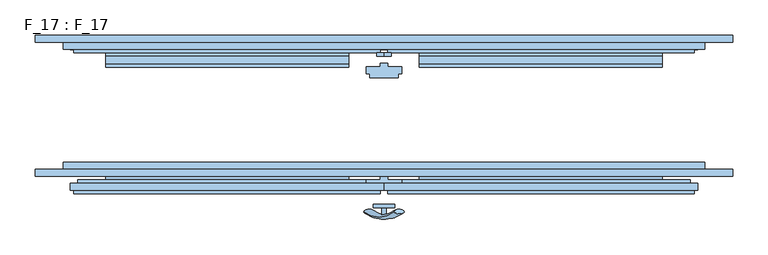
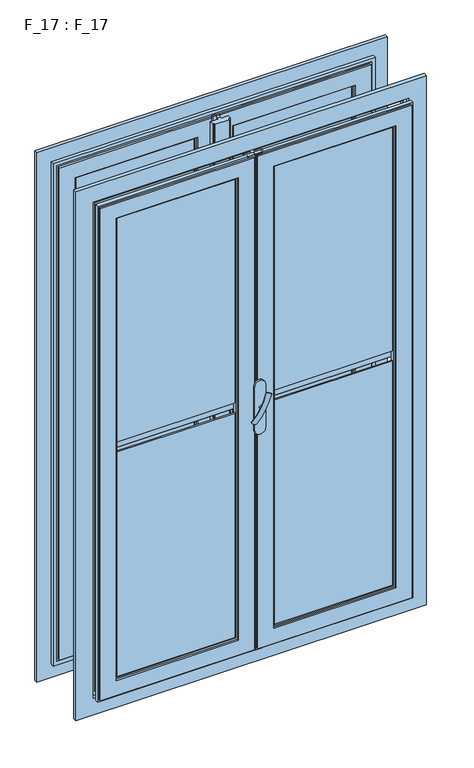
"""IFC4 building model written with IfcOpenShell, lengths in millimetres: window geometry, F_17 : F_17."""

from ifc_helpers import new_model, si_unit, point, frame, frame_2d, origin, place, context, project, spatial, polyline, circle_curve, ellipse_curve, trimmed, segment, composite_curve, outline, extrude, faceted_brep, source, transform, mapped, element, save
from ifc_brep_helpers import plane_surface, revolved_surface, advanced_brep


def f_17_f_17_96d72639(model_context):
    return source(origin(), model_context, "Body", "SolidModel", [
        advanced_brep(
        [(-28.5497704, -140.2287724, 1617.2483361), (-14.693364, -140.2287724, 1609.2483361), (14.693364, -140.2287724, 1692.147642), (28.5497704, -140.2287724, 1684.147642)],
        [
            (0, 1, ellipse_curve(frame((-21.6215672, -140.2287724, 1613.2483361), z_axis=(-0.46984631039295827, 0.3420201433256777, -0.8137976813493676), x_axis=(0.8660254037844349, 0.0, -0.5000000000000066)), 8.0, 3.5)),
            (1, 0, ellipse_curve(frame((-21.6215672, -140.2287724, 1613.2483361), z_axis=(-0.46984631039295827, 0.3420201433256777, -0.8137976813493676), x_axis=(0.8660254037844349, 0.0, -0.5000000000000066)), 8.0, 3.5)),
            (2, 3, ellipse_curve(frame((21.6215672, -140.2287724, 1688.147642), z_axis=(0.46984631039296154, 0.3420201433256599, 0.8137976813493732), x_axis=(0.8660254037844355, 0.0, -0.5000000000000056)), 8.0, 3.5)),
            (3, 2, ellipse_curve(frame((21.6215672, -140.2287724, 1688.147642), z_axis=(0.46984631039296154, 0.3420201433256599, 0.8137976813493732), x_axis=(0.8660254037844355, 0.0, -0.5000000000000056)), 8.0, 3.5)),
            (3, 1, circle_curve(frame((6.9282032, -21.419237, 1646.6979891), z_axis=(0.8660254037844353, 0.0, -0.500000000000006), x_axis=(-0.1710100716628409, -0.9396926207859051, -0.29619813272603046)), 126.4344667)),
            (0, 2, circle_curve(frame((-6.9282032, -21.419237, 1654.6979891), z_axis=(-0.8660254037844353, 0.0, 0.500000000000006), x_axis=(-0.1710100716628409, -0.9396926207859051, -0.29619813272603046)), 126.4344667)),
        ],
        [
            plane_surface(frame((40.0926994, -137.5471681, 1578.7446033), z_axis=(-0.4698463103929582, 0.34202014332567776, -0.8137976813493677), x_axis=(-0.8660254037844352, 0.0, 0.500000000000006))),
            plane_surface(frame((82.3598097, -137.5471681, 1651.9533858), z_axis=(0.4698463103929615, 0.34202014332565983, 0.8137976813493734), x_axis=(-0.8660254037844352, 0.0, 0.500000000000006))),
            revolved_surface(trimmed(ellipse_curve(frame((-21.6215672, -140.2287724, 1613.2483361), z_axis=(-0.46984631039295827, 0.3420201433256777, -0.8137976813493676), x_axis=(0.8660254037844349, 0.0, -0.5000000000000066)), 8.0, 3.5), [point((-28.5497704, -140.2287724, 1617.2483361))], [point((-14.693364, -140.2287724, 1609.2483361))], True, "CARTESIAN"), (61.2262546, -21.419237, 1615.3489945), (-0.8660254037844353, 0.0, 0.500000000000006)),
            revolved_surface(trimmed(ellipse_curve(frame((-21.6215672, -140.2287724, 1613.2483361), z_axis=(-0.46984631039295827, 0.3420201433256777, -0.8137976813493676), x_axis=(0.8660254037844349, 0.0, -0.5000000000000066)), 8.0, 3.5), [point((-14.693364, -140.2287724, 1609.2483361))], [point((-28.5497704, -140.2287724, 1617.2483361))], True, "CARTESIAN"), (61.2262546, -21.419237, 1615.3489945), (-0.8660254037844353, 0.0, 0.500000000000006)),
        ],
        [
            (0, [[1, 2]]),
            (1, [[3, 4]]),
            (2, [[5, -1, 6, -4]]),
            (3, [[-6, -2, -5, -3]]),
        ],
    ),
        extrude(outline(composite_curve([segment(trimmed(circle_curve(frame_2d((1650.6979891, 0.0)), 3.5), [point((1650.6979891, -3.5))], [point((1650.6979891, 3.5))], False, "CARTESIAN"), True, "CONTINUOUS"), segment(trimmed(circle_curve(frame_2d((1650.6979891, 0.0)), 3.5), [point((1650.6979891, 3.5))], [point((1650.6979891, -3.5))], False, "CARTESIAN"), True, "CONTINUOUS")], self_intersect=False)), frame((0.0, -145.0, 0.0), z_axis=(0.0, 1.0, 0.0), x_axis=(0.0, 0.0, 1.0)), (0.0, 0.0, 1.0), 10.0),
        extrude(outline(composite_curve([segment(polyline([(1715.0, -15.0), (1585.0, -15.0)]), True, "CONTINUOUS"), segment(trimmed(circle_curve(frame_2d((1585.0, 0.0)), 15.0), [point((1585.0, -15.0))], [point((1585.0, 15.0))], False, "CARTESIAN"), True, "CONTINUOUS"), segment(polyline([(1585.0, 15.0), (1715.0, 15.0)]), True, "CONTINUOUS"), segment(trimmed(circle_curve(frame_2d((1715.0, 0.0)), 15.0), [point((1715.0, 15.0))], [point((1715.0, -15.0))], False, "CARTESIAN"), True, "CONTINUOUS")], self_intersect=False)), frame((0.0, -135.0, 0.0), z_axis=(0.0, 1.0, 0.0), x_axis=(0.0, 0.0, 1.0)), (0.0, 0.0, 1.0), 5.0),
        faceted_brep([(-0.5, 85.0, 910.0), (-0.5, 80.0, 910.0), (-10.0, 80.0, 910.0), (-10.0, 85.0, 910.0), (-0.5, 85.0, 2390.0), (-0.5, 80.0, 2390.0), (0.0, 100.0, 2390.0), (0.0, 100.0, 910.0), (-445.0, 100.0, 910.0), (-445.0, 100.0, 2390.0), (-10.0, 100.0, 920.0), (-10.0, 100.0, 2380.0), (-435.0, 100.0, 2380.0), (-435.0, 100.0, 920.0), (0.0, 90.0, 2390.0), (0.0, 90.0, 910.0), (-445.0, 90.0, 2390.0), (-445.0, 90.0, 910.0), (-5.0, 90.0, 2385.0), (-5.0, 90.0, 915.0), (-440.0, 90.0, 915.0), (-440.0, 90.0, 2385.0), (-10.0, 80.0, 2390.0), (-10.0, 85.0, 2390.0), (-10.0, 85.0, 2385.0), (-10.0, 85.0, 915.0), (-5.0, 85.0, 915.0), (-5.0, 85.0, 2385.0), (-10.0, 105.0, 920.0), (-435.0, 105.0, 920.0), (-435.0, 105.0, 2380.0), (-50.0, 100.0, 960.0), (-50.0, 105.0, 960.0), (-395.0, 105.0, 960.0), (-395.0, 100.0, 960.0), (-50.0, 100.0, 2340.0), (-50.0, 105.0, 2340.0), (-50.0, 85.0, 1640.0), (-50.0, 80.0, 1640.0), (-395.0, 80.0, 1640.0), (-395.0, 85.0, 1640.0), (-395.0, 105.0, 2340.0), (-395.0, 100.0, 2340.0), (-50.0, 80.0, 1660.0), (-50.0, 85.0, 1660.0), (-395.0, 85.0, 1660.0), (-395.0, 80.0, 1660.0), (-55.0, 100.0, 965.0), (-55.0, 100.0, 2335.0), (-390.0, 100.0, 2335.0), (-390.0, 100.0, 965.0), (-55.0, 90.0, 2335.0), (-55.0, 90.0, 965.0), (-50.0, 70.0, 1665.0), (-50.0, 80.0, 1665.0), (-395.0, 80.0, 1665.0), (-395.0, 70.0, 1665.0), (-50.0, 90.0, 960.0), (-50.0, 90.0, 2340.0), (-395.0, 90.0, 2340.0), (-395.0, 90.0, 960.0), (-390.0, 90.0, 965.0), (-390.0, 90.0, 2335.0), (-50.0, 80.0, 1635.0), (-50.0, 70.0, 1635.0), (-395.0, 70.0, 1635.0), (-395.0, 80.0, 1635.0), (-50.0, 85.0, 2340.0), (-50.0, 85.0, 960.0), (-50.0, 65.0, 1660.0), (-50.0, 70.0, 1660.0), (-395.0, 70.0, 1660.0), (-395.0, 65.0, 1660.0), (-440.0, 85.0, 2385.0), (-440.0, 85.0, 915.0), (-395.0, 85.0, 960.0), (-395.0, 85.0, 2340.0), (-50.0, 70.0, 1640.0), (-50.0, 65.0, 1640.0), (-395.0, 65.0, 1640.0), (-395.0, 70.0, 1640.0), (-10.0, 105.0, 2380.0)], [[[0, 1, 2, 3]], [[4, 5, 1, 0]], [[6, 7, 8, 9], [10, 11, 12, 13]], [[6, 14, 15, 7]], [[15, 14, 16, 17], [18, 19, 20, 21]], [[8, 17, 16, 9]], [[22, 23, 24, 25, 3, 2]], [[23, 4, 0, 3, 25, 26, 27, 24]], [[28, 10, 13, 29]], [[29, 13, 12, 30]], [[31, 32, 33, 34]], [[35, 36, 32, 31]], [[37, 38, 39, 40]], [[34, 33, 41, 42]], [[43, 44, 45, 46]], [[35, 31, 34, 42], [47, 48, 49, 50]], [[51, 48, 47, 52]], [[53, 54, 55, 56]], [[57, 58, 59, 60], [51, 52, 61, 62]], [[52, 47, 50, 61]], [[63, 64, 65, 66]], [[67, 58, 57, 68, 37, 44]], [[69, 70, 71, 72]], [[73, 74, 25, 24], [68, 75, 40, 45, 76, 67, 44, 37]], [[68, 57, 60, 75]], [[77, 78, 79, 80]], [[18, 27, 26, 19]], [[19, 26, 25, 74, 20]], [[61, 50, 49, 62]], [[75, 60, 59, 76, 45, 40]], [[20, 74, 73, 21]], [[4, 23, 22, 5]], [[11, 81, 30, 12]], [[36, 35, 42, 41]], [[48, 51, 62, 49]], [[58, 67, 76, 59]], [[27, 18, 21, 73, 24]], [[5, 22, 2, 1]], [[81, 28, 29, 30], [32, 36, 41, 33]], [[37, 40, 45, 44]], [[7, 15, 17, 8]], [[81, 11, 10, 28]], [[66, 65, 80, 79, 72, 71, 56, 55, 46, 45, 40, 39]], [[63, 38, 37, 44, 43, 54, 53, 70, 69, 78, 77, 64]], [[38, 63, 66, 39]], [[54, 43, 46, 55]], [[70, 53, 56, 71]], [[78, 69, 72, 79]], [[64, 77, 80, 65]], [[14, 6, 9, 16]]]),
        faceted_brep([(0.5, 85.0, 910.0), (10.0, 85.0, 910.0), (10.0, 80.0, 910.0), (0.5, 80.0, 910.0), (0.5, 85.0, 2390.0), (10.0, 85.0, 2390.0), (10.0, 85.0, 2385.0), (5.0, 85.0, 2385.0), (5.0, 85.0, 915.0), (10.0, 85.0, 915.0), (10.0, 80.0, 2390.0), (0.0, 100.0, 910.0), (0.0, 100.0, 2390.0), (445.0, 100.0, 2390.0), (445.0, 100.0, 910.0), (10.0, 100.0, 2380.0), (10.0, 100.0, 920.0), (435.0, 100.0, 920.0), (435.0, 100.0, 2380.0), (445.0, 90.0, 910.0), (445.0, 90.0, 2390.0), (0.0, 90.0, 2390.0), (0.0, 90.0, 910.0), (5.0, 90.0, 915.0), (5.0, 90.0, 2385.0), (440.0, 90.0, 2385.0), (440.0, 90.0, 915.0), (0.5, 80.0, 2390.0), (435.0, 105.0, 920.0), (435.0, 105.0, 2380.0), (10.0, 105.0, 920.0), (50.0, 105.0, 960.0), (50.0, 100.0, 960.0), (395.0, 100.0, 960.0), (395.0, 105.0, 960.0), (395.0, 100.0, 2340.0), (395.0, 105.0, 2340.0), (395.0, 85.0, 1640.0), (395.0, 80.0, 1640.0), (50.0, 80.0, 1640.0), (50.0, 85.0, 1640.0), (50.0, 105.0, 2340.0), (50.0, 100.0, 2340.0), (395.0, 80.0, 1660.0), (395.0, 85.0, 1660.0), (50.0, 85.0, 1660.0), (50.0, 80.0, 1660.0), (55.0, 100.0, 2335.0), (55.0, 100.0, 965.0), (390.0, 100.0, 965.0), (390.0, 100.0, 2335.0), (55.0, 90.0, 2335.0), (55.0, 90.0, 965.0), (50.0, 90.0, 2340.0), (50.0, 90.0, 960.0), (395.0, 90.0, 960.0), (395.0, 90.0, 2340.0), (390.0, 90.0, 2335.0), (390.0, 90.0, 965.0), (395.0, 70.0, 1665.0), (395.0, 80.0, 1665.0), (50.0, 80.0, 1665.0), (50.0, 70.0, 1665.0), (395.0, 80.0, 1635.0), (395.0, 70.0, 1635.0), (50.0, 70.0, 1635.0), (50.0, 80.0, 1635.0), (50.0, 85.0, 2340.0), (50.0, 85.0, 960.0), (395.0, 85.0, 960.0), (395.0, 70.0, 1640.0), (395.0, 65.0, 1640.0), (50.0, 65.0, 1640.0), (50.0, 70.0, 1640.0), (440.0, 85.0, 915.0), (440.0, 85.0, 2385.0), (395.0, 85.0, 2340.0), (395.0, 65.0, 1660.0), (395.0, 70.0, 1660.0), (50.0, 70.0, 1660.0), (50.0, 65.0, 1660.0), (10.0, 105.0, 2380.0)], [[[0, 1, 2, 3]], [[4, 5, 6, 7, 8, 9, 1, 0]], [[5, 10, 2, 1, 9, 6]], [[11, 12, 13, 14], [15, 16, 17, 18]], [[19, 14, 13, 20]], [[21, 22, 19, 20], [23, 24, 25, 26]], [[21, 12, 11, 22]], [[27, 4, 0, 3]], [[17, 28, 29, 18]], [[16, 30, 28, 17]], [[31, 32, 33, 34]], [[34, 33, 35, 36]], [[37, 38, 39, 40]], [[41, 42, 32, 31]], [[43, 44, 45, 46]], [[32, 42, 35, 33], [47, 48, 49, 50]], [[47, 51, 52, 48]], [[53, 54, 55, 56], [52, 51, 57, 58]], [[59, 60, 61, 62]], [[48, 52, 58, 49]], [[63, 64, 65, 66]], [[53, 67, 45, 40, 68, 54]], [[54, 68, 69, 55]], [[70, 71, 72, 73]], [[74, 75, 6, 9], [69, 68, 40, 45, 67, 76, 44, 37]], [[77, 78, 79, 80]], [[7, 24, 23, 8]], [[8, 23, 26, 74, 9]], [[49, 58, 57, 50]], [[55, 69, 37, 44, 76, 56]], [[74, 26, 25, 75]], [[4, 27, 10, 5]], [[81, 15, 18, 29]], [[42, 41, 36, 35]], [[51, 47, 50, 57]], [[67, 53, 56, 76]], [[24, 7, 6, 75, 25]], [[10, 27, 3, 2]], [[30, 81, 29, 28], [41, 31, 34, 36]], [[37, 40, 45, 44]], [[22, 11, 14, 19]], [[15, 81, 30, 16]], [[66, 65, 73, 72, 80, 79, 62, 61, 46, 45, 40, 39]], [[63, 38, 37, 44, 43, 60, 59, 78, 77, 71, 70, 64]], [[38, 63, 66, 39]], [[60, 43, 46, 61]], [[78, 59, 62, 79]], [[71, 77, 80, 72]], [[64, 70, 73, 65]], [[12, 21, 20, 13]]]),
        extrude(outline(polyline([(-55.0, 93.0), (-390.0, 93.0), (-390.0, 97.0), (-55.0, 97.0), (-55.0, 93.0)])), frame((0.0, 0.0, 965.0), z_axis=(0.0, 0.0, 1.0), x_axis=(1.0, 0.0, 0.0)), (0.0, 0.0, 1.0), 670.0),
        extrude(outline(polyline([(390.0, 93.0), (55.0, 93.0), (55.0, 97.0), (390.0, 97.0), (390.0, 93.0)])), frame((0.0, 0.0, 965.0), z_axis=(0.0, 0.0, 1.0), x_axis=(1.0, 0.0, 0.0)), (0.0, 0.0, 1.0), 670.0),
        extrude(outline(polyline([(-55.0, 93.0), (-390.0, 93.0), (-390.0, 97.0), (-55.0, 97.0), (-55.0, 93.0)])), frame((0.0, 0.0, 1665.0), z_axis=(0.0, 0.0, 1.0), x_axis=(1.0, 0.0, 0.0)), (0.0, 0.0, 1.0), 670.0),
        extrude(outline(polyline([(395.0, 93.0), (55.0, 93.0), (55.0, 97.0), (395.0, 97.0), (395.0, 93.0)])), frame((0.0, 0.0, 1665.0), z_axis=(0.0, 0.0, 1.0), x_axis=(1.0, 0.0, 0.0)), (0.0, 0.0, 1.0), 670.0),
        extrude(outline(polyline([(5.0, 70.0), (5.0, 65.0), (25.0, 65.0), (25.0, 55.0), (20.0, 55.0), (20.0, 50.0), (-20.0, 50.0), (-20.0, 55.0), (-25.0, 55.0), (-25.0, 65.0), (-5.0, 65.0), (-5.0, 70.0), (5.0, 70.0)])), frame((0.0, 0.0, 910.0), z_axis=(0.0, 0.0, 1.0), x_axis=(1.0, 0.0, 0.0)), (0.0, 0.0, 1.0), 1480.0),
        faceted_brep([(455.0, 100.0, 2400.0), (455.0, 90.0, 2400.0), (455.0, 90.0, 900.0), (455.0, 100.0, 900.0), (-455.0, 90.0, 2400.0), (-455.0, 90.0, 900.0), (445.0, 90.0, 910.0), (-445.0, 90.0, 910.0), (-445.0, 90.0, 2390.0), (445.0, 90.0, 2390.0), (-455.0, 100.0, 900.0), (495.0, 100.0, 2440.0), (-495.0, 100.0, 2440.0), (-495.0, 100.0, 860.0), (495.0, 100.0, 860.0), (-455.0, 100.0, 2400.0), (495.0, 110.0, 2440.0), (495.0, 110.0, 860.0), (-495.0, 110.0, 860.0), (-495.0, 110.0, 2440.0), (435.0, 110.0, 2380.0), (-435.0, 110.0, 2380.0), (-435.0, 110.0, 920.0), (435.0, 110.0, 920.0), (445.0, 100.0, 910.0), (-445.0, 100.0, 910.0), (-445.0, 100.0, 2390.0), (445.0, 100.0, 2390.0), (435.0, 100.0, 920.0), (-435.0, 100.0, 920.0), (-435.0, 100.0, 2380.0), (435.0, 100.0, 2380.0)], [[[0, 1, 2, 3]], [[1, 4, 5, 2], [6, 7, 8, 9]], [[3, 2, 5, 10]], [[11, 12, 13, 14], [3, 10, 15, 0]], [[16, 11, 14, 17]], [[17, 14, 13, 18]], [[17, 18, 19, 16], [20, 21, 22, 23]], [[10, 5, 4, 15]], [[18, 13, 12, 19]], [[6, 24, 25, 7]], [[7, 25, 26, 8]], [[9, 27, 24, 6]], [[27, 26, 25, 24], [28, 29, 30, 31]], [[28, 23, 22, 29]], [[29, 22, 21, 30]], [[31, 20, 23, 28]], [[15, 4, 1, 0]], [[19, 12, 11, 16]], [[8, 26, 27, 9]], [[30, 21, 20, 31]]]),
        faceted_brep([(50.0, -95.0, 960.0), (50.0, -100.0, 960.0), (395.0, -100.0, 960.0), (395.0, -95.0, 960.0), (395.0, -80.0, 1640.0), (395.0, -80.0, 1635.0), (50.0, -80.0, 1635.0), (50.0, -80.0, 1640.0), (50.0, -95.0, 2340.0), (50.0, -100.0, 2340.0), (50.0, -95.0, 1640.0), (50.0, -95.0, 1660.0), (395.0, -75.0, 1640.0), (50.0, -75.0, 1640.0), (395.0, -100.0, 2340.0), (395.0, -95.0, 2340.0), (395.0, -95.0, 1660.0), (395.0, -95.0, 1640.0), (395.0, -80.0, 1660.0), (395.0, -75.0, 1660.0), (50.0, -75.0, 1660.0), (50.0, -80.0, 1660.0), (395.0, -90.0, 1635.0), (50.0, -90.0, 1635.0), (55.0, -100.0, 2335.0), (55.0, -110.0, 2335.0), (55.0, -110.0, 965.0), (55.0, -100.0, 965.0), (390.0, -110.0, 965.0), (390.0, -100.0, 965.0), (390.0, -110.0, 2335.0), (390.0, -100.0, 2335.0), (395.0, -90.0, 1665.0), (395.0, -80.0, 1665.0), (50.0, -80.0, 1665.0), (50.0, -90.0, 1665.0), (10.0, -100.0, 2380.0), (10.0, -95.0, 2380.0), (10.0, -95.0, 920.0), (10.0, -100.0, 920.0), (435.0, -100.0, 920.0), (435.0, -95.0, 920.0), (435.0, -95.0, 2380.0), (435.0, -100.0, 2380.0), (395.0, -90.0, 1660.0), (50.0, -90.0, 1660.0), (50.0, -110.0, 960.0), (50.0, -115.0, 960.0), (395.0, -115.0, 960.0), (395.0, -110.0, 960.0), (395.0, -115.0, 2340.0), (395.0, -110.0, 2340.0), (395.0, -90.0, 1640.0), (50.0, -90.0, 1640.0), (50.0, -110.0, 2340.0), (50.0, -115.0, 2340.0), (5.0, -115.0, 2385.0), (5.0, -110.0, 2385.0), (5.0, -110.0, 915.0), (5.0, -115.0, 915.0), (440.0, -110.0, 915.0), (440.0, -115.0, 915.0), (440.0, -110.0, 2385.0), (440.0, -115.0, 2385.0), (0.0, -110.0, 2390.0), (0.0, -110.0, 910.0), (445.0, -110.0, 910.0), (445.0, -110.0, 2390.0), (0.0, -100.0, 2390.0), (0.0, -100.0, 910.0), (445.0, -100.0, 2390.0), (445.0, -100.0, 910.0)], [[[0, 1, 2, 3]], [[4, 5, 6, 7]], [[8, 9, 1, 0, 10, 11]], [[12, 4, 7, 13]], [[3, 2, 14, 15, 16, 17]], [[18, 19, 20, 21]], [[5, 22, 23, 6]], [[24, 25, 26, 27]], [[27, 26, 28, 29]], [[29, 28, 30, 31]], [[32, 33, 34, 35]], [[19, 12, 13, 20]], [[36, 37, 38, 39]], [[40, 41, 42, 43]], [[39, 38, 41, 40]], [[44, 32, 35, 45]], [[46, 47, 48, 49]], [[49, 48, 50, 51]], [[52, 17, 10, 53]], [[54, 55, 47, 46]], [[16, 44, 45, 11]], [[16, 11, 10, 17]], [[56, 57, 58, 59]], [[59, 58, 60, 61]], [[61, 60, 62, 63]], [[64, 65, 66, 67], [58, 57, 62, 60]], [[64, 68, 69, 65]], [[69, 68, 70, 71], [36, 39, 40, 43]], [[65, 69, 71, 66]], [[66, 71, 70, 67]], [[9, 8, 15, 14]], [[25, 24, 31, 30]], [[37, 36, 43, 42]], [[55, 54, 51, 50]], [[57, 56, 63, 62]], [[68, 64, 67, 70]], [[5, 4, 12, 19, 18, 33, 32, 44, 16, 17, 52, 22]], [[33, 18, 21, 34]], [[38, 37, 42, 41], [0, 3, 17, 16, 15, 8, 11, 10]], [[22, 52, 53, 23]], [[6, 23, 53, 10, 11, 45, 35, 34, 21, 20, 13, 7]], [[1, 9, 14, 2], [24, 27, 29, 31]], [[54, 46, 49, 51], [26, 25, 30, 28]], [[56, 59, 61, 63], [47, 55, 50, 48]]]),
        faceted_brep([(455.0, -70.0, 2400.0), (455.0, -80.0, 2400.0), (455.0, -80.0, 900.0), (455.0, -70.0, 900.0), (495.0, -80.0, 860.0), (-495.0, -80.0, 860.0), (-495.0, -80.0, 2440.0), (495.0, -80.0, 2440.0), (-455.0, -80.0, 2400.0), (-455.0, -80.0, 900.0), (-455.0, -70.0, 900.0), (-455.0, -70.0, 2400.0), (435.0, -70.0, 2380.0), (-435.0, -70.0, 2380.0), (-435.0, -70.0, 920.0), (435.0, -70.0, 920.0), (435.0, -80.0, 2380.0), (435.0, -80.0, 920.0), (-435.0, -80.0, 920.0), (445.0, -80.0, 2390.0), (-445.0, -80.0, 2390.0), (-445.0, -80.0, 910.0), (445.0, -80.0, 910.0), (-435.0, -80.0, 2380.0), (445.0, -90.0, 2390.0), (445.0, -90.0, 910.0), (-445.0, -90.0, 910.0), (495.0, -90.0, 2440.0), (-495.0, -90.0, 2440.0), (-495.0, -90.0, 860.0), (495.0, -90.0, 860.0), (-445.0, -90.0, 2390.0)], [[[0, 1, 2, 3]], [[4, 5, 6, 7], [1, 8, 9, 2]], [[3, 2, 9, 10]], [[3, 10, 11, 0], [12, 13, 14, 15]], [[16, 12, 15, 17]], [[17, 15, 14, 18]], [[19, 20, 21, 22], [17, 18, 23, 16]], [[24, 19, 22, 25]], [[25, 22, 21, 26]], [[27, 28, 29, 30], [25, 26, 31, 24]], [[7, 27, 30, 4]], [[4, 30, 29, 5]], [[10, 9, 8, 11]], [[18, 14, 13, 23]], [[26, 21, 20, 31]], [[5, 29, 28, 6]], [[11, 8, 1, 0]], [[23, 13, 12, 16]], [[31, 20, 19, 24]], [[6, 28, 27, 7]]]),
        extrude(outline(polyline([(-55.0, -107.0), (-390.0, -107.0), (-390.0, -103.0), (-55.0, -103.0), (-55.0, -107.0)])), frame((0.0, 0.0, 965.0), z_axis=(0.0, 0.0, 1.0), x_axis=(1.0, 0.0, 0.0)), (0.0, 0.0, 1.0), 670.0),
        extrude(outline(polyline([(390.0, -107.0), (55.0, -107.0), (55.0, -103.0), (390.0, -103.0), (390.0, -107.0)])), frame((0.0, 0.0, 965.0), z_axis=(0.0, 0.0, 1.0), x_axis=(1.0, 0.0, 0.0)), (0.0, 0.0, 1.0), 670.0),
        extrude(outline(polyline([(-55.0, -107.0), (-390.0, -107.0), (-390.0, -103.0), (-55.0, -103.0), (-55.0, -107.0)])), frame((0.0, 0.0, 1665.0), z_axis=(0.0, 0.0, 1.0), x_axis=(1.0, 0.0, 0.0)), (0.0, 0.0, 1.0), 670.0),
        extrude(outline(polyline([(395.0, -107.0), (55.0, -107.0), (55.0, -103.0), (395.0, -103.0), (395.0, -107.0)])), frame((0.0, 0.0, 1665.0), z_axis=(0.0, 0.0, 1.0), x_axis=(1.0, 0.0, 0.0)), (0.0, 0.0, 1.0), 670.0),
        faceted_brep([(-50.0, -100.0, 2340.0), (-50.0, -95.0, 2340.0), (-50.0, -95.0, 1660.0), (-50.0, -95.0, 1640.0), (-50.0, -95.0, 960.0), (-50.0, -100.0, 960.0), (-395.0, -95.0, 960.0), (-395.0, -100.0, 960.0), (-395.0, -100.0, 2340.0), (-55.0, -100.0, 965.0), (-55.0, -100.0, 2335.0), (-390.0, -100.0, 2335.0), (-390.0, -100.0, 965.0), (-50.0, -75.0, 1640.0), (-50.0, -80.0, 1640.0), (-395.0, -80.0, 1640.0), (-395.0, -75.0, 1640.0), (-10.0, -95.0, 2380.0), (-10.0, -95.0, 920.0), (-435.0, -95.0, 920.0), (-435.0, -95.0, 2380.0), (-395.0, -95.0, 2340.0), (-395.0, -95.0, 1660.0), (-395.0, -95.0, 1640.0), (-50.0, -80.0, 1660.0), (-50.0, -75.0, 1660.0), (-395.0, -75.0, 1660.0), (-395.0, -80.0, 1660.0), (-55.0, -110.0, 2335.0), (-55.0, -110.0, 965.0), (-50.0, -90.0, 1665.0), (-50.0, -80.0, 1665.0), (-395.0, -80.0, 1665.0), (-395.0, -90.0, 1665.0), (-50.0, -110.0, 960.0), (-50.0, -110.0, 2340.0), (-395.0, -110.0, 2340.0), (-395.0, -110.0, 960.0), (-390.0, -110.0, 965.0), (-390.0, -110.0, 2335.0), (-50.0, -80.0, 1635.0), (-50.0, -90.0, 1635.0), (-395.0, -90.0, 1635.0), (-395.0, -80.0, 1635.0), (-50.0, -115.0, 2340.0), (-50.0, -115.0, 960.0), (-50.0, -90.0, 1660.0), (-395.0, -90.0, 1660.0), (-5.0, -115.0, 915.0), (-5.0, -115.0, 2385.0), (-440.0, -115.0, 2385.0), (-440.0, -115.0, 915.0), (-395.0, -115.0, 960.0), (-395.0, -115.0, 2340.0), (-50.0, -90.0, 1640.0), (-395.0, -90.0, 1640.0), (-5.0, -110.0, 2385.0), (-5.0, -110.0, 915.0), (-440.0, -110.0, 915.0), (0.0, -110.0, 910.0), (0.0, -110.0, 2390.0), (-445.0, -110.0, 2390.0), (-445.0, -110.0, 910.0), (-440.0, -110.0, 2385.0), (0.0, -100.0, 2390.0), (0.0, -100.0, 910.0), (-445.0, -100.0, 910.0), (-445.0, -100.0, 2390.0), (-10.0, -100.0, 920.0), (-10.0, -100.0, 2380.0), (-435.0, -100.0, 2380.0), (-435.0, -100.0, 920.0)], [[[0, 1, 2, 3, 4, 5]], [[5, 4, 6, 7]], [[0, 5, 7, 8], [9, 10, 11, 12]], [[13, 14, 15, 16]], [[17, 18, 19, 20], [6, 4, 3, 2, 1, 21, 22, 23]], [[24, 25, 26, 27]], [[28, 10, 9, 29]], [[30, 31, 32, 33]], [[34, 35, 36, 37], [28, 29, 38, 39]], [[29, 9, 12, 38]], [[40, 41, 42, 43]], [[44, 35, 34, 45]], [[2, 46, 47, 22]], [[48, 49, 50, 51], [44, 45, 52, 53]], [[45, 34, 37, 52]], [[54, 3, 23, 55]], [[56, 49, 48, 57]], [[57, 48, 51, 58]], [[59, 60, 61, 62], [56, 57, 58, 63]], [[64, 60, 59, 65]], [[65, 59, 62, 66]], [[64, 65, 66, 67], [68, 69, 70, 71]], [[17, 69, 68, 18]], [[18, 68, 71, 19]], [[7, 6, 23, 22, 21, 8]], [[38, 12, 11, 39]], [[52, 37, 36, 53]], [[58, 51, 50, 63]], [[66, 62, 61, 67]], [[19, 71, 70, 20]], [[1, 0, 8, 21]], [[10, 28, 39, 11]], [[35, 44, 53, 36]], [[49, 56, 63, 50]], [[60, 64, 67, 61]], [[69, 17, 20, 70]], [[2, 22, 23, 3]], [[40, 14, 13, 25, 24, 31, 30, 46, 2, 3, 54, 41]], [[43, 42, 55, 23, 22, 47, 33, 32, 27, 26, 16, 15]], [[14, 40, 43, 15]], [[25, 13, 16, 26]], [[31, 24, 27, 32]], [[46, 30, 33, 47]], [[41, 54, 55, 42]]]),
        extrude(outline(polyline([(-0.5, -75.0), (-0.5, -80.0), (-10.0, -80.0), (-10.0, -75.0), (-0.5, -75.0)])), frame((0.0, 0.0, 910.0), z_axis=(0.0, 0.0, 1.0), x_axis=(1.0, 0.0, 0.0)), (0.0, 0.0, 1.0), 1480.0),
        extrude(outline(polyline([(5.0, -90.0), (5.0, -95.0), (25.0, -95.0), (25.0, -105.0), (20.0, -105.0), (20.0, -110.0), (-20.0, -110.0), (-20.0, -105.0), (-25.0, -105.0), (-25.0, -95.0), (-5.0, -95.0), (-5.0, -90.0), (5.0, -90.0)])), frame((0.0, 0.0, 910.0), z_axis=(0.0, 0.0, 1.0), x_axis=(1.0, 0.0, 0.0)), (0.0, 0.0, 1.0), 1480.0),
        extrude(outline(polyline([(0.5, -75.0), (10.0, -75.0), (10.0, -80.0), (0.5, -80.0), (0.5, -75.0)])), frame((0.0, 0.0, 910.0), z_axis=(0.0, 0.0, 1.0), x_axis=(1.0, 0.0, 0.0)), (0.0, 0.0, 1.0), 1480.0),
    ])


if __name__ == "__main__":
    model = new_model("IFC4")
    model_context = context("Model", 3, world=origin())
    ifc_project = project(units=[si_unit("LENGTHUNIT", "METRE", prefix="MILLI")], contexts=[model_context])
    site = spatial("IfcSite", under=ifc_project)
    building = spatial("IfcBuilding", under=site)
    placement = place(None, origin())
    f_17_f_17_shape = f_17_f_17_96d72639(model_context)
    element("IfcWindow", 1, ObjectType="F_17 : F_17", at=placement, inside=building, context=model_context, shape_type="MappedRepresentation", body=[
        mapped(f_17_f_17_shape, transform((0.0, 0.0, 0.0), x_axis=(1.0, 0.0, 0.0), y_axis=(0.0, 1.0, 0.0), z_axis=(0.0, 0.0, 1.0))),
    ])
    save(model, "model.ifc")
